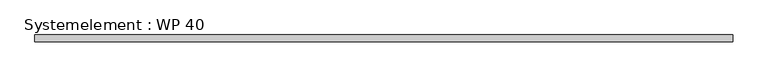
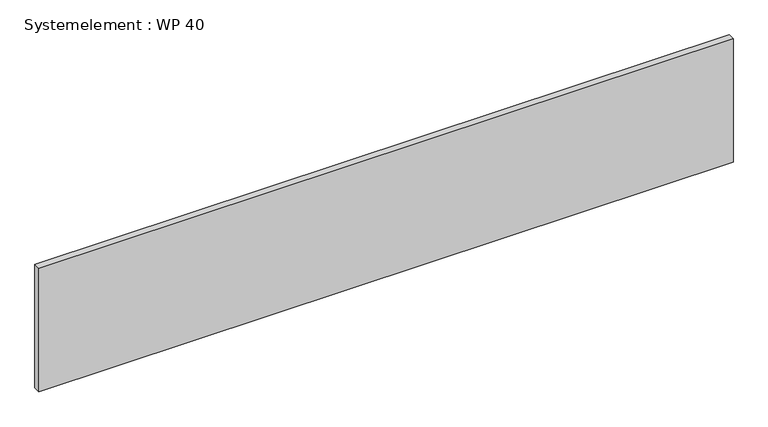
"""IFC4 building model written with IfcOpenShell, lengths in millimetres: plate geometry, Systemelement : WP 40."""

from ifc_helpers import new_model, si_unit, origin, origin_with_axes, place, context, project, spatial, polyline, outline, extrude, source, transform, mapped, element, save


def systemelement_wp_40_9c91b709(model_context):
    return source(origin(), model_context, "Body", "SweptSolid", [
        extrude(outline(polyline([(2000.0, -40.0), (-2000.0, -40.0), (-2000.0, 0.0), (2000.0, 0.0), (2000.0, -40.0)])), origin_with_axes(), (0.0, 0.0, 1.0), 751.6147161),
    ])


if __name__ == "__main__":
    model = new_model("IFC4")
    model_context = context("Model", 3, world=origin())
    ifc_project = project(units=[si_unit("LENGTHUNIT", "METRE", prefix="MILLI")], contexts=[model_context])
    site = spatial("IfcSite", under=ifc_project)
    building = spatial("IfcBuilding", under=site)
    placement = place(None, origin())
    systemelement_wp_40_shape = systemelement_wp_40_9c91b709(model_context)
    element("IfcPlate", 1, ObjectType="Systemelement : WP 40", at=placement, inside=building, context=model_context, shape_type="MappedRepresentation", body=[
        mapped(systemelement_wp_40_shape, transform((0.0, 0.0, 0.0), x_axis=(1.0, 0.0, 0.0), y_axis=(0.0, 1.0, 0.0), z_axis=(0.0, 0.0, 1.0))),
    ])
    save(model, "model.ifc")
